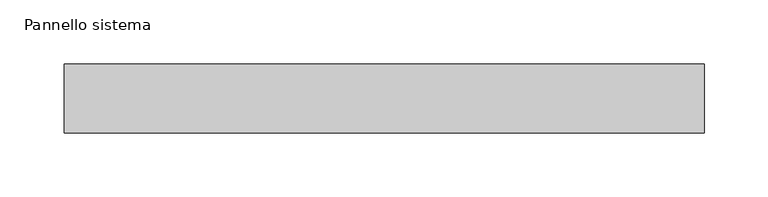
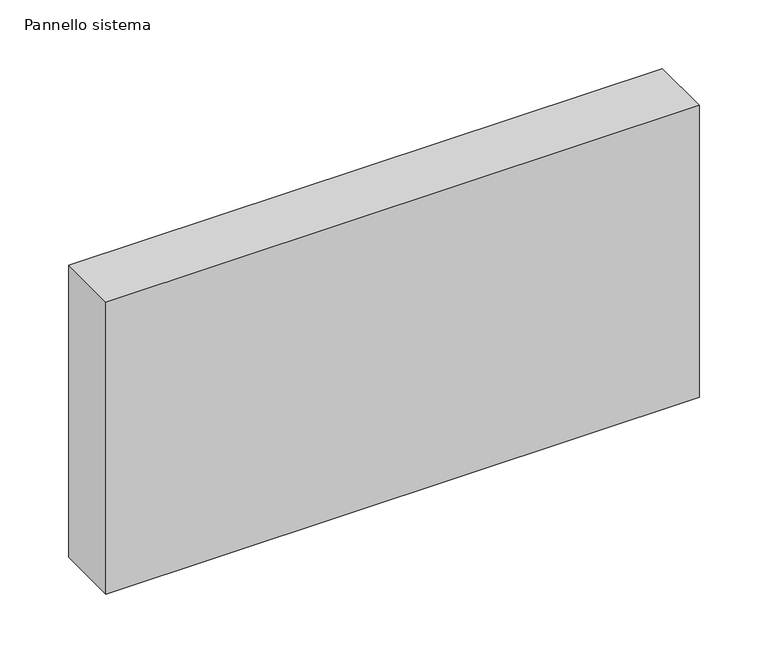
"""IFC4 building model written with IfcOpenShell, lengths in millimetres: plate geometry, Pannello sistema."""

from ifc_helpers import new_model, si_unit, origin, origin_with_axes, place, context, project, spatial, polyline, outline, extrude, source, transform, mapped, element, save


def pannello_sistema_50203f97(model_context):
    return source(origin(), model_context, "Body", "SweptSolid", [
        extrude(outline(polyline([(250.0, -27.0), (-250.0, -27.0), (-250.0, 27.0), (250.0, 27.0), (250.0, -27.0)])), origin_with_axes(), (0.0, 0.0, 1.0), 260.0),
    ])


if __name__ == "__main__":
    model = new_model("IFC4")
    model_context = context("Model", 3, world=origin())
    ifc_project = project(units=[si_unit("LENGTHUNIT", "METRE", prefix="MILLI")], contexts=[model_context])
    site = spatial("IfcSite", under=ifc_project)
    building = spatial("IfcBuilding", under=site)
    placement = place(None, origin())
    pannello_sistema_shape = pannello_sistema_50203f97(model_context)
    element("IfcPlate", 1, ObjectType="Pannello sistema", at=placement, inside=building, context=model_context, shape_type="MappedRepresentation", body=[
        mapped(pannello_sistema_shape, transform((0.0, 0.0, 0.0), x_axis=(1.0, 0.0, 0.0), y_axis=(0.0, 1.0, 0.0), z_axis=(0.0, 0.0, 1.0))),
    ])
    save(model, "model.ifc")
